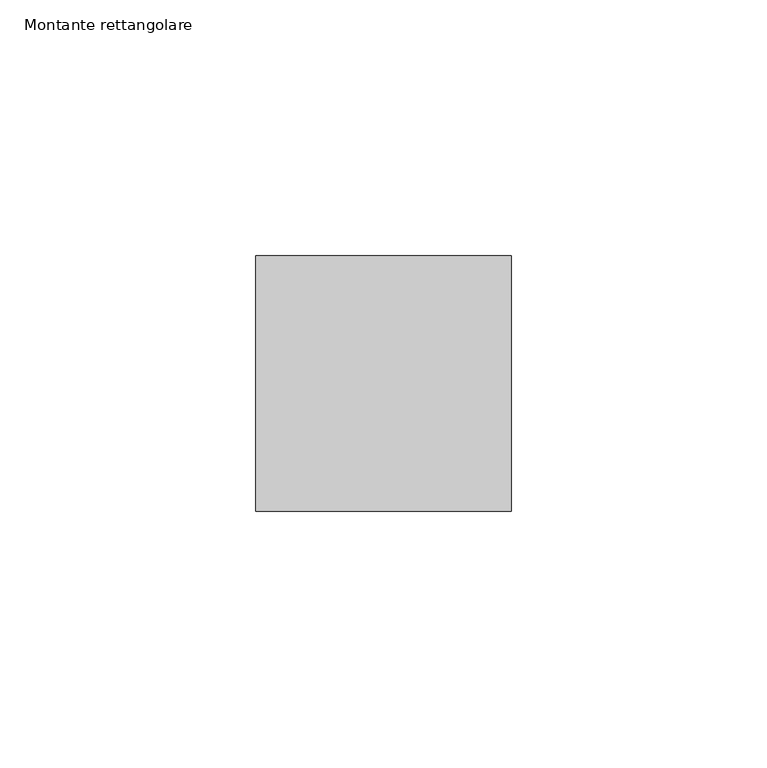
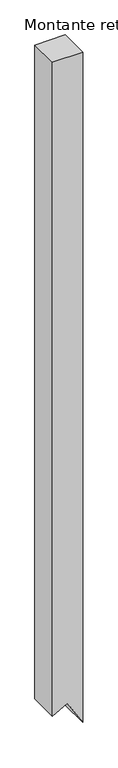
"""IFC4 building model written with IfcOpenShell, lengths in millimetres: member geometry, Montante rettangolare."""

from ifc_helpers import new_model, si_unit, frame, origin, place, context, project, spatial, polyline, outline, extrude, source, transform, mapped, element, save


def montante_rettangolare_6d0714a3(model_context):
    return source(origin(), model_context, "Body", "SweptSolid", [
        extrude(outline(polyline([(0.0, 0.0), (0.0, -50.0), (-1141.6157457, -50.0), (-1127.0717041, -25.6021432), (-1170.0196989, 0.0), (0.0, 0.0)])), frame((0.0, -25.0, 0.0), z_axis=(0.0, 1.0, 0.0), x_axis=(0.0, 0.0, 1.0)), (0.0, 0.0, 1.0), 50.0),
    ])


if __name__ == "__main__":
    model = new_model("IFC4")
    model_context = context("Model", 3, world=origin())
    ifc_project = project(units=[si_unit("LENGTHUNIT", "METRE", prefix="MILLI")], contexts=[model_context])
    site = spatial("IfcSite", under=ifc_project)
    building = spatial("IfcBuilding", under=site)
    placement = place(None, origin())
    montante_rettangolare_shape = montante_rettangolare_6d0714a3(model_context)
    element("IfcMember", 1, ObjectType="Montante rettangolare", at=placement, inside=building, context=model_context, shape_type="MappedRepresentation", body=[
        mapped(montante_rettangolare_shape, transform((0.0, 0.0, 0.0), x_axis=(1.0, 0.0, 0.0), y_axis=(0.0, 1.0, 0.0), z_axis=(0.0, 0.0, 1.0))),
    ])
    save(model, "model.ifc")
